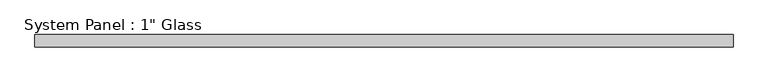
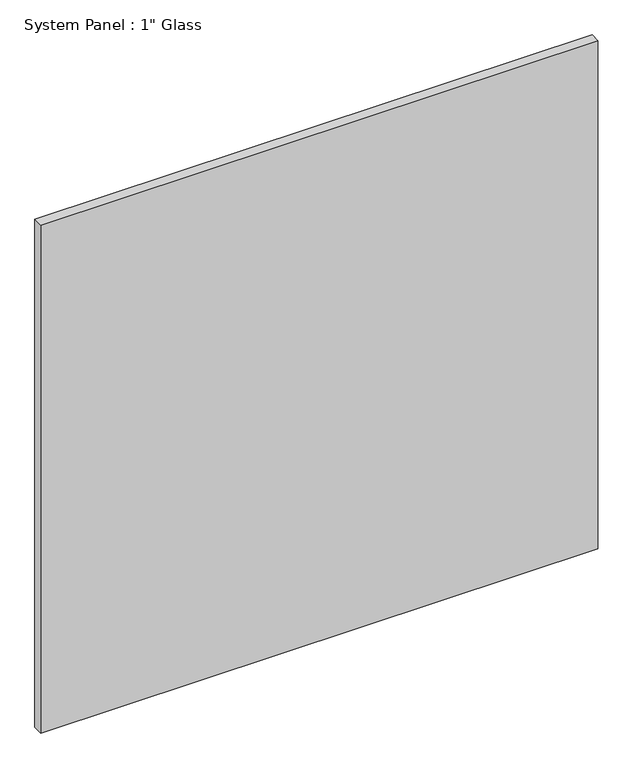
"""IFC4 building model written with IfcOpenShell, lengths in millimetres: plate geometry."""

from ifc_helpers import new_model, si_unit, origin, origin_with_axes, place, context, project, spatial, polyline, outline, extrude, source, transform, mapped, element, save


def plate_3507926e(model_context):
    return source(origin(), model_context, "Body", "SweptSolid", [
        extrude(outline(polyline([(724.9095691, -12.7), (-724.9095691, -12.7), (-724.9095691, 12.7), (724.9095691, 12.7), (724.9095691, -12.7)])), origin_with_axes(), (0.0, 0.0, 1.0), 1397.5261731),
    ])


if __name__ == "__main__":
    model = new_model("IFC4")
    model_context = context("Model", 3, world=origin())
    ifc_project = project(units=[si_unit("LENGTHUNIT", "METRE", prefix="MILLI")], contexts=[model_context])
    site = spatial("IfcSite", under=ifc_project)
    building = spatial("IfcBuilding", under=site)
    placement = place(None, origin())
    plate_shape = plate_3507926e(model_context)
    element("IfcPlate", 1, ObjectType="System Panel : 1\" Glass", at=placement, inside=building, context=model_context, shape_type="MappedRepresentation", body=[
        mapped(plate_shape, transform((0.0, 0.0, 0.0), x_axis=(1.0, 0.0, 0.0), y_axis=(0.0, 1.0, 0.0), z_axis=(0.0, 0.0, 1.0))),
    ])
    save(model, "model.ifc")
